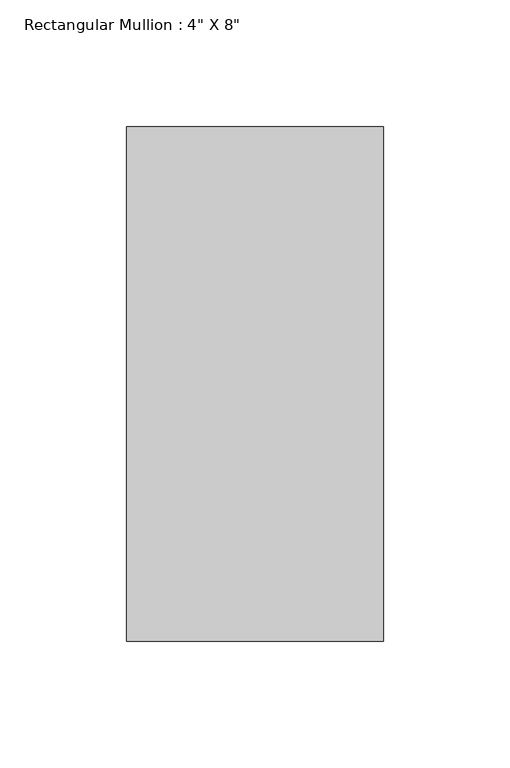
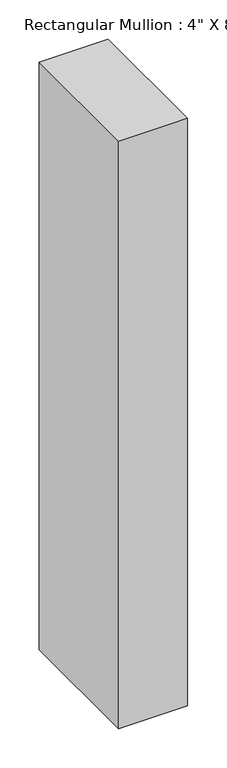
"""IFC4 building model written with IfcOpenShell, lengths in millimetres: member geometry."""

from ifc_helpers import new_model, si_unit, frame, origin, place, context, project, spatial, polyline, outline, extrude, source, transform, mapped, element, save


def member_5aeb1ce9(model_context):
    return source(origin(), model_context, "Body", "SweptSolid", [
        extrude(outline(polyline([(0.0, 63.5), (0.0, -139.7), (-101.6, -139.7), (-101.6, 63.5), (0.0, 63.5)])), frame((0.0, 0.0, -914.4), z_axis=(0.0, 0.0, 1.0), x_axis=(1.0, 0.0, 0.0)), (0.0, 0.0, 1.0), 914.4),
    ])


if __name__ == "__main__":
    model = new_model("IFC4")
    model_context = context("Model", 3, world=origin())
    ifc_project = project(units=[si_unit("LENGTHUNIT", "METRE", prefix="MILLI")], contexts=[model_context])
    site = spatial("IfcSite", under=ifc_project)
    building = spatial("IfcBuilding", under=site)
    placement = place(None, origin())
    member_shape = member_5aeb1ce9(model_context)
    element("IfcMember", 1, ObjectType="Rectangular Mullion : 4\" X 8\"", at=placement, inside=building, context=model_context, shape_type="MappedRepresentation", body=[
        mapped(member_shape, transform((0.0, 0.0, 0.0), x_axis=(1.0, 0.0, 0.0), y_axis=(0.0, 1.0, 0.0), z_axis=(0.0, 0.0, 1.0))),
    ])
    save(model, "model.ifc")
